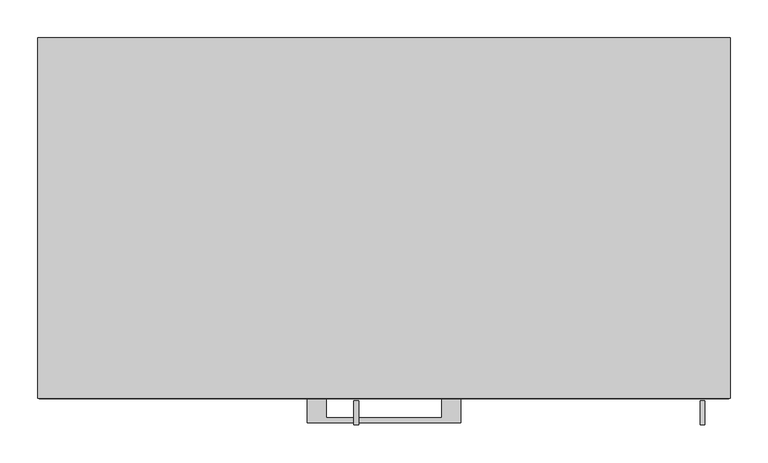
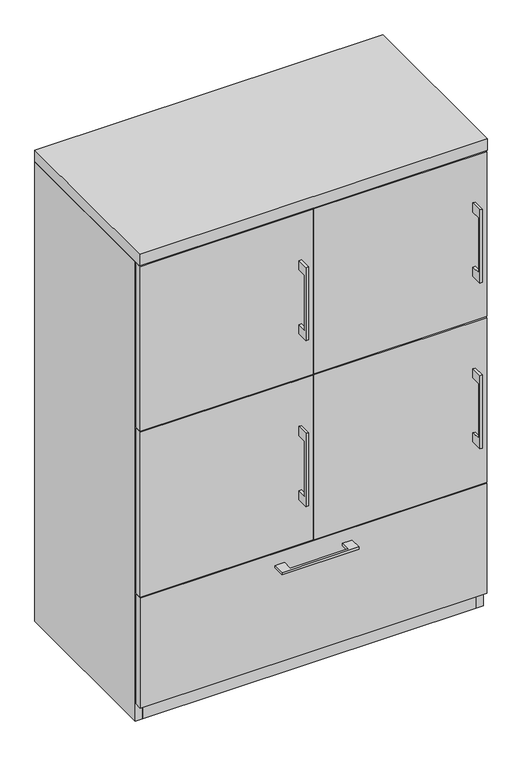
"""IFC4 building model written with IfcOpenShell, lengths in millimetres: furniture geometry."""

from ifc_helpers import new_model, si_unit, frame, origin, origin_with_axes, place, context, project, spatial, polyline, outline, extrude, source, transform, mapped, element, save


def furniture_4b697b5a(model_context):
    return source(origin(), model_context, "Body", "SweptSolid", [
        extrude(outline(polyline([(-76.1999818, -476.25), (-76.1999818, -501.6499758), (76.2, -501.6499758), (76.2, -476.25), (101.5999939, -476.25), (101.5999939, -507.9999879), (-101.5999939, -507.9999879), (-101.5999939, -476.25), (-76.1999818, -476.25)])), frame((0.0, 0.0, 312.7375506), z_axis=(0.0, 0.0, 1.0), x_axis=(1.0, 0.0, 0.0)), (0.0, 0.0, 1.0), 6.3499758),
        extrude(outline(polyline([(455.6125, -457.2), (455.6125, -476.25), (-455.6125, -476.25), (-455.6125, -457.2), (455.6125, -457.2)])), frame((0.0, 0.0, 47.625), z_axis=(0.0, 0.0, 1.0), x_axis=(1.0, 0.0, 0.0)), (0.0, 0.0, 1.0), 304.8),
        extrude(outline(polyline([(-479.425, 1120.775), (-504.8249758, 1120.775), (-504.8249758, 968.375), (-479.425, 968.375), (-479.425, 942.975), (-511.1749879, 942.975), (-511.1749879, 1146.175), (-479.425, 1146.175), (-479.425, 1120.775)])), frame((417.5125121, 0.0, 0.0), z_axis=(1.0, 0.0, 0.0), x_axis=(0.0, 1.0, 0.0)), (0.0, 0.0, 1.0), 6.3499758),
        extrude(outline(polyline([(455.6125, -476.25), (1.5875, -476.25), (1.5875, -457.2), (455.6125, -457.2), (455.6125, -476.25)])), frame((0.0, 0.0, 815.975), z_axis=(0.0, 0.0, 1.0), x_axis=(1.0, 0.0, 0.0)), (0.0, 0.0, 1.0), 457.2),
        extrude(outline(polyline([(-479.425, 1120.775), (-504.8249758, 1120.775), (-504.8249758, 968.375), (-479.425, 968.375), (-479.425, 942.975), (-511.1749879, 942.975), (-511.1749879, 1146.175), (-479.425, 1146.175), (-479.425, 1120.775)])), frame((-39.6874879, 0.0, 0.0), z_axis=(1.0, 0.0, 0.0), x_axis=(0.0, 1.0, 0.0)), (0.0, 0.0, 1.0), 6.3499758),
        extrude(outline(polyline([(-1.5875, -476.25), (-455.6125, -476.25), (-455.6125, -457.2), (-1.5875, -457.2), (-1.5875, -476.25)])), frame((0.0, 0.0, 815.975), z_axis=(0.0, 0.0, 1.0), x_axis=(1.0, 0.0, 0.0)), (0.0, 0.0, 1.0), 457.2),
        extrude(outline(polyline([(-479.425, 660.4), (-504.8249758, 660.4), (-504.8249758, 508.0), (-479.425, 508.0), (-479.425, 482.6), (-511.1749879, 482.6), (-511.1749879, 685.8), (-479.425, 685.8), (-479.425, 660.4)])), frame((417.5125121, 0.0, 0.0), z_axis=(1.0, 0.0, 0.0), x_axis=(0.0, 1.0, 0.0)), (0.0, 0.0, 1.0), 6.3499758),
        extrude(outline(polyline([(455.6125, -476.25), (1.5875, -476.25), (1.5875, -457.2), (455.6125, -457.2), (455.6125, -476.25)])), frame((0.0, 0.0, 355.6), z_axis=(0.0, 0.0, 1.0), x_axis=(1.0, 0.0, 0.0)), (0.0, 0.0, 1.0), 457.2),
        extrude(outline(polyline([(-479.425, 660.4), (-504.8249758, 660.4), (-504.8249758, 508.0), (-479.425, 508.0), (-479.425, 482.6), (-511.1749879, 482.6), (-511.1749879, 685.8), (-479.425, 685.8), (-479.425, 660.4)])), frame((-39.6874879, 0.0, 0.0), z_axis=(1.0, 0.0, 0.0), x_axis=(0.0, 1.0, 0.0)), (0.0, 0.0, 1.0), 6.3499758),
        extrude(outline(polyline([(-1.5875, -476.25), (-455.6125, -476.25), (-455.6125, -457.2), (-1.5875, -457.2), (-1.5875, -476.25)])), frame((0.0, 0.0, 355.6), z_axis=(0.0, 0.0, 1.0), x_axis=(1.0, 0.0, 0.0)), (0.0, 0.0, 1.0), 457.2),
        extrude(outline(polyline([(438.15, -19.05), (438.15, -457.2), (-438.15, -457.2), (-438.15, -19.05), (438.15, -19.05)])), frame((0.0, 0.0, 352.425), z_axis=(0.0, 0.0, 1.0), x_axis=(1.0, 0.0, 0.0)), (0.0, 0.0, 1.0), 19.05),
        extrude(outline(polyline([(9.525, -19.05), (9.525, -457.2), (-9.525, -457.2), (-9.525, -19.05), (9.525, -19.05)])), frame((0.0, 0.0, 371.475), z_axis=(0.0, 0.0, 1.0), x_axis=(1.0, 0.0, 0.0)), (0.0, 0.0, 1.0), 904.875),
        extrude(outline(polyline([(438.15, -19.05), (438.15, -457.2), (-438.15, -457.2), (-438.15, -19.05), (438.15, -19.05)])), origin_with_axes(), (0.0, 0.0, 1.0), 47.625),
        extrude(outline(polyline([(457.2, 0.0), (457.2, -476.25), (-457.2, -476.25), (-457.2, 0.0), (457.2, 0.0)])), frame((0.0, 0.0, 1276.35), z_axis=(0.0, 0.0, 1.0), x_axis=(1.0, 0.0, 0.0)), (0.0, 0.0, 1.0), 31.75),
        extrude(outline(polyline([(457.2, 0.0), (457.2, -457.2), (438.15, -457.2), (438.15, -19.05), (-438.15, -19.05), (-438.15, -457.2), (-457.2, -457.2), (-457.2, 0.0), (457.2, 0.0)])), origin_with_axes(), (0.0, 0.0, 1.0), 1276.35),
    ])


if __name__ == "__main__":
    model = new_model("IFC4")
    model_context = context("Model", 3, world=origin())
    ifc_project = project(units=[si_unit("LENGTHUNIT", "METRE", prefix="MILLI")], contexts=[model_context])
    site = spatial("IfcSite", under=ifc_project)
    building = spatial("IfcBuilding", under=site)
    placement = place(None, origin())
    furniture_shape = furniture_4b697b5a(model_context)
    element("IfcFurniture", 1, at=placement, inside=building, context=model_context, shape_type="MappedRepresentation", body=[
        mapped(furniture_shape, transform((0.0, 0.0, 0.0), x_axis=(1.0, 0.0, 0.0), y_axis=(0.0, 1.0, 0.0), z_axis=(0.0, 0.0, 1.0))),
    ])
    save(model, "model.ifc")
